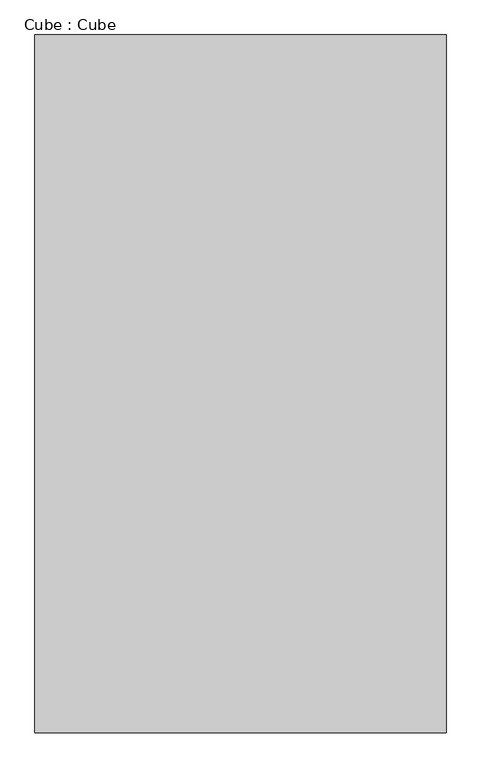
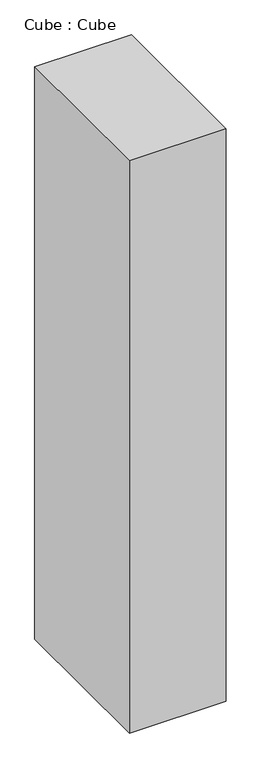
"""IFC4 building model written with IfcOpenShell, lengths in millimetres: proxy geometry, Cube : Cube."""

from ifc_helpers import new_model, si_unit, origin, origin_with_axes, place, context, project, spatial, polyline, outline, extrude, source, transform, mapped, element, save


def cube_cube_082b3c25(model_context):
    return source(origin(), model_context, "Body", "SweptSolid", [
        extrude(outline(polyline([(2062.5, 3500.0), (2062.5, -3500.0), (-2062.5, -3500.0), (-2062.5, 3500.0), (2062.5, 3500.0)])), origin_with_axes(), (0.0, 0.0, 1.0), 25830.7),
    ])


if __name__ == "__main__":
    model = new_model("IFC4")
    model_context = context("Model", 3, world=origin())
    ifc_project = project(units=[si_unit("LENGTHUNIT", "METRE", prefix="MILLI")], contexts=[model_context])
    site = spatial("IfcSite", under=ifc_project)
    building = spatial("IfcBuilding", under=site)
    placement = place(None, origin())
    cube_cube_shape = cube_cube_082b3c25(model_context)
    element("IfcBuildingElementProxy", 1, Name="Cube : Cube", ObjectType="Cube : Cube", at=placement, inside=building, context=model_context, shape_type="MappedRepresentation", body=[
        mapped(cube_cube_shape, transform((0.0, 0.0, 0.0), x_axis=(1.0, 0.0, 0.0), y_axis=(0.0, 1.0, 0.0), z_axis=(0.0, 0.0, 1.0))),
    ])
    save(model, "model.ifc")
